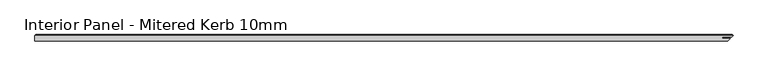
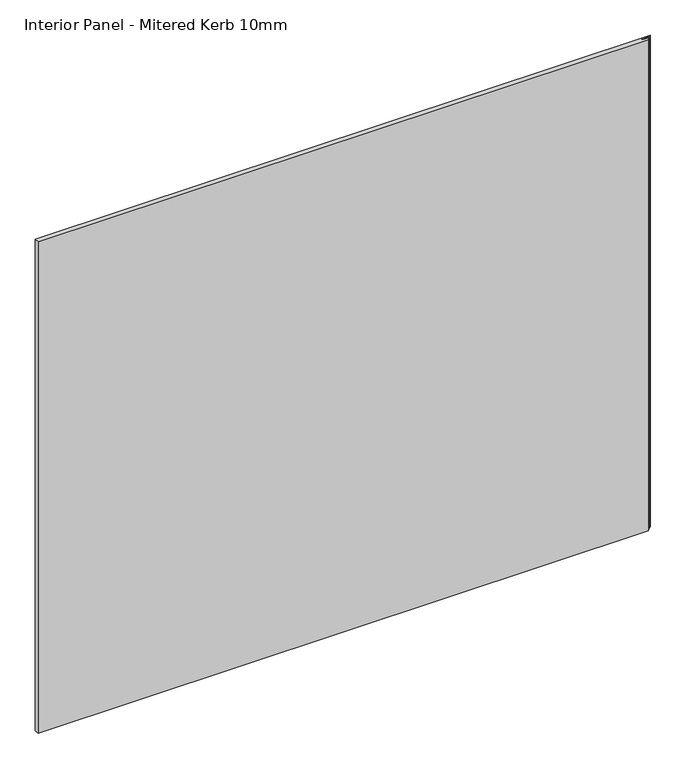
"""IFC4 building model written with IfcOpenShell, lengths in millimetres: proxy geometry, Interior Panel - Mitered Kerb 10mm."""

from ifc_helpers import new_model, si_unit, origin, place, context, project, spatial, faceted_brep, source, transform, mapped, element, save


def interior_panel_mitered_kerb_10mm_fdd994e5(model_context):
    return source(origin(), model_context, "Body", "Brep", [
        faceted_brep([(1074.7375, -9.525, 914.4), (1078.2935, -5.969, 914.4), (1066.2382703, -5.969, 914.4), (1066.2382703, -3.556, 914.4), (1080.7065, -3.556, 914.4), (1082.675, -1.5875, 914.4), (0.0, -1.5875, 914.4), (0.0, -9.525, 914.4), (1074.7375, -9.525, 0.0), (0.0, -9.525, 0.0), (0.0, -1.5875, 0.0), (1082.675, -1.5875, 0.0), (1080.7065, -3.556, 0.0), (1066.2382703, -3.556, 0.0), (1066.2382703, -5.969, 0.0), (1078.2935, -5.969, 0.0), (1.5875, 0.0, 912.8125), (1081.0875, 0.0, 912.8125), (1081.0875, 0.0, 1.5875), (1.5875, 0.0, 1.5875)], [[[0, 1, 2, 3, 4, 5, 6, 7]], [[8, 9, 10, 11, 12, 13, 14, 15]], [[7, 9, 8, 0]], [[6, 10, 9, 7]], [[16, 17, 18, 19]], [[6, 16, 19, 10]], [[11, 18, 17, 5]], [[5, 17, 16, 6]], [[10, 19, 18, 11]], [[4, 12, 11, 5]], [[3, 13, 12, 4]], [[2, 14, 13, 3]], [[1, 15, 14, 2]], [[0, 8, 15, 1]]]),
    ])


if __name__ == "__main__":
    model = new_model("IFC4")
    model_context = context("Model", 3, world=origin())
    ifc_project = project(units=[si_unit("LENGTHUNIT", "METRE", prefix="MILLI")], contexts=[model_context])
    site = spatial("IfcSite", under=ifc_project)
    building = spatial("IfcBuilding", under=site)
    placement = place(None, origin())
    interior_panel_mitered_kerb_10mm_shape = interior_panel_mitered_kerb_10mm_fdd994e5(model_context)
    element("IfcBuildingElementProxy", 1, Name="Interior Panel - Mitered Kerb 10mm", ObjectType="Interior Panel - Mitered Kerb 10mm", at=placement, inside=building, context=model_context, shape_type="MappedRepresentation", body=[
        mapped(interior_panel_mitered_kerb_10mm_shape, transform((0.0, 0.0, 0.0), x_axis=(1.0, 0.0, 0.0), y_axis=(0.0, 1.0, 0.0), z_axis=(0.0, 0.0, 1.0))),
    ])
    save(model, "model.ifc")
